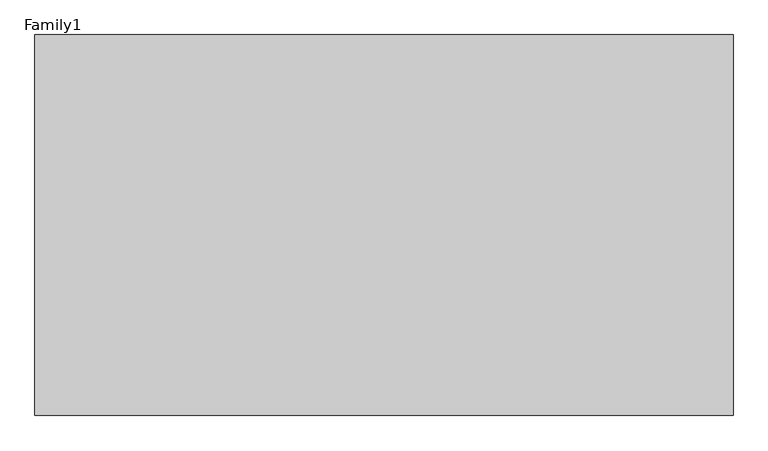
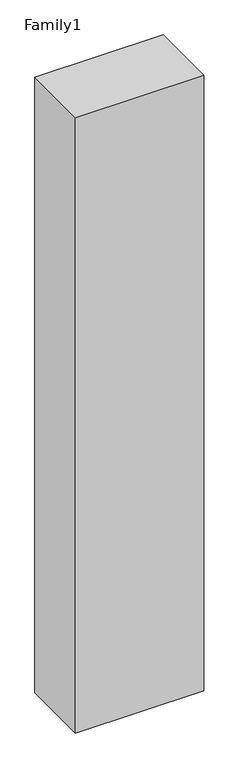
"""IFC4 building model written with IfcOpenShell, lengths in millimetres: proxy geometry, Family1."""

import ifcopenshell
import ifcopenshell.guid

model = None  # the IFC model being written
_history = None  # IfcOwnerHistory: only IFC2X3 demands one
_inside = {}  # id of a spatial element -> (the spatial element, [elements in it])
_under = {}  # id of a project, library or spatial element -> (it, [spatial elements below it])
_declared = {}  # id of a project -> (the project, [libraries it declares])
_typed = {}  # id of a type object -> (the type object, [elements of that type])
_made_of = {}  # id of a material, layer set ... -> (it, [elements and type objects made of it])


def new_model(schema):
    """Start an empty IFC model of exactly this schema.

    Asked for "IFC4X3", IfcOpenShell would pick the latest addendum, in which some entities
    have other attributes; the version numbers below select the first issue.
    IFC2X3 requires an IfcOwnerHistory on every rooted entity: one is made here for all.
    """
    global model, _history
    if schema == "IFC4X3":
        model = ifcopenshell.file(schema_version=(4, 3, 0, 0))
    else:
        model = ifcopenshell.file(schema=schema)
    _inside.clear()
    _under.clear()
    _declared.clear()
    _typed.clear()
    _made_of.clear()
    _history = None
    if model.schema == "IFC2X3":
        org = make("IfcOrganization", Name="unknown")
        user = make(
            "IfcPersonAndOrganization",
            ThePerson=make("IfcPerson", FamilyName="unknown"),
            TheOrganization=org,
        )
        app = make(
            "IfcApplication",
            ApplicationDeveloper=org,
            Version="unknown",
            ApplicationFullName="unknown",
            ApplicationIdentifier="unknown",
        )
        _history = make(
            "IfcOwnerHistory",
            OwningUser=user,
            OwningApplication=app,
            ChangeAction="ADDED",
            CreationDate=0,
        )
    return model


def make(cls, **values):
    """One entity of the class cls with the attributes given. An attribute that is None is left unset."""
    return model.create_entity(
        cls, **{name: value for name, value in values.items() if value is not None}
    )


def rooted(cls, **values):
    """An entity with a GlobalId (a new one), such as an element, a storey or a relation."""
    return make(cls, GlobalId=ifcopenshell.guid.new(), OwnerHistory=_history, **values)


def si_unit(unit_type, name, prefix=None):
    """IfcSIUnit, for example si_unit("LENGTHUNIT", "METRE", prefix="MILLI")."""
    return make("IfcSIUnit", UnitType=unit_type, Prefix=prefix, Name=name)


def assignment(units):
    """IfcUnitAssignment: the units of a project."""
    return None if units is None else make("IfcUnitAssignment", Units=units)


def point(xyz):
    """IfcCartesianPoint."""
    return None if xyz is None else make("IfcCartesianPoint", Coordinates=xyz)


def direction(xyz):
    """IfcDirection."""
    return None if xyz is None else make("IfcDirection", DirectionRatios=xyz)


def frame(location, z_axis=None, x_axis=None):
    """IfcAxis2Placement3D, a coordinate frame: its origin and axes. An axis left out is left unset."""
    return make(
        "IfcAxis2Placement3D",
        Location=point(location),
        Axis=direction(z_axis),
        RefDirection=direction(x_axis),
    )


def origin():
    """The frame at (0, 0, 0) with its axes left unset."""
    return frame((0.0, 0.0, 0.0))


def origin_with_axes():
    """The frame at (0, 0, 0) with the z axis (0, 0, 1) and the x axis (1, 0, 0) written out."""
    return frame((0.0, 0.0, 0.0), z_axis=(0.0, 0.0, 1.0), x_axis=(1.0, 0.0, 0.0))


def place(relative_to, where):
    """IfcLocalPlacement: puts the frame where relative to a parent placement (None: the world)."""
    return make(
        "IfcLocalPlacement", PlacementRelTo=relative_to, RelativePlacement=where
    )


def context(
    kind, dimensions, precision=None, world=None, true_north=None, identifier=None
):
    """IfcGeometricRepresentationContext, for example the 3D "Model" context."""
    return make(
        "IfcGeometricRepresentationContext",
        ContextIdentifier=identifier,
        ContextType=kind,
        CoordinateSpaceDimension=dimensions,
        Precision=precision,
        WorldCoordinateSystem=world,
        TrueNorth=true_north,
    )


def project(units=None, contexts=None):
    """IfcProject with its units and contexts."""
    return rooted(
        "IfcProject",
        Name="project",
        RepresentationContexts=contexts,
        UnitsInContext=assignment(units),
    )


def spatial(cls, under=None, at=None, **own):
    """A site, building, storey or space (cls), placed at a placement, below another one or the project."""
    s = rooted(cls, ObjectPlacement=at, **own)
    if under is not None:
        _under.setdefault(under.id(), (under, []))[1].append(s)
    return s


def polyline(points):
    """IfcPolyline through the points."""
    return make("IfcPolyline", Points=[point(p) for p in points])


def outline(outer, holes=None, kind="AREA"):
    """IfcArbitraryClosedProfileDef: a profile drawn as a closed curve; with holes, ...WithVoids."""
    if holes is None:
        return make("IfcArbitraryClosedProfileDef", ProfileType=kind, OuterCurve=outer)
    return make(
        "IfcArbitraryProfileDefWithVoids",
        ProfileType=kind,
        OuterCurve=outer,
        InnerCurves=holes,
    )


def extrude(swept, where, along, depth):
    """IfcExtrudedAreaSolid: the profile swept, set in the frame where, extruded along a direction by depth."""
    return make(
        "IfcExtrudedAreaSolid",
        SweptArea=swept,
        Position=where,
        ExtrudedDirection=direction(along),
        Depth=depth,
    )


def shape(context_of_items, identifier, shape_type, items):
    """IfcShapeRepresentation: the items that make up one representation, for example the "Body"."""
    return make(
        "IfcShapeRepresentation",
        ContextOfItems=context_of_items,
        RepresentationIdentifier=identifier,
        RepresentationType=shape_type,
        Items=items,
    )


def source(mapping_origin, context_of_items, identifier, shape_type, items):
    """IfcRepresentationMap: a shape defined once, which mapped items show again and again."""
    return make(
        "IfcRepresentationMap",
        MappingOrigin=mapping_origin,
        MappedRepresentation=shape(context_of_items, identifier, shape_type, items),
    )


def transform(
    local_origin,
    x_axis=None,
    y_axis=None,
    z_axis=None,
    scale=None,
    scale2=None,
    scale3=None,
    uniform=True,
):
    """IfcCartesianTransformationOperator3D, or its non-uniform kind. x_axis, y_axis, z_axis: its Axis1, 2, 3."""
    if uniform:
        return make(
            "IfcCartesianTransformationOperator3D",
            Axis1=direction(x_axis),
            Axis2=direction(y_axis),
            LocalOrigin=point(local_origin),
            Scale=scale,
            Axis3=direction(z_axis),
        )
    return make(
        "IfcCartesianTransformationOperator3DnonUniform",
        Axis1=direction(x_axis),
        Axis2=direction(y_axis),
        LocalOrigin=point(local_origin),
        Scale=scale,
        Axis3=direction(z_axis),
        Scale2=scale2,
        Scale3=scale3,
    )


def mapped(mapping_source, mapping_target):
    """IfcMappedItem: shows the shape of a source again, moved by a transform."""
    return make(
        "IfcMappedItem", MappingSource=mapping_source, MappingTarget=mapping_target
    )


def made_of(thing, what):
    """Note that an element or type object is made of a material, layer set ...; save() writes the relation."""
    if what is not None:
        _made_of.setdefault(what.id(), (what, []))[1].append(thing)
    return thing


def element(
    cls,
    number,
    at=None,
    inside=None,
    cuts=None,
    type_object=None,
    material=None,
    context=None,
    identifier="Body",
    shape_type=None,
    held_by="IfcProductDefinitionShape",
    body=None,
    shapes=None,
    **own,
):
    """One element of the class cls, such as IfcWall. Its Tag is "e" and its number.

    at: its placement. inside: the storey or other place that contains it. cuts: it is an
    opening in that element (IfcRelVoidsElement). A single representation is given by context,
    identifier, shape_type and body (its items); several are given by shapes. held_by: the class
    of the entity that holds the representations. save() writes the other relations.
    """
    e = rooted(cls, Tag="e%d" % number, ObjectPlacement=at, **own)
    if body is not None:
        shapes = [shape(context, identifier, shape_type, body)]
    if shapes is not None:
        e.Representation = make(held_by, Representations=shapes)
    if inside is not None:
        _inside.setdefault(inside.id(), (inside, []))[1].append(e)
    if cuts is not None:
        rooted(
            "IfcRelVoidsElement", RelatingBuildingElement=cuts, RelatedOpeningElement=e
        )
    if type_object is not None:
        _typed.setdefault(type_object.id(), (type_object, []))[1].append(e)
    return made_of(e, material)


def aggregate(whole, parts):
    """IfcRelAggregates: a whole, such as a stair, and the parts it consists of."""
    return rooted("IfcRelAggregates", RelatingObject=whole, RelatedObjects=parts)


def save(model, path):
    """Write the relations noted so far, then the file.

    IfcRelAggregates (storeys below a building ...), IfcRelContainedInSpatialStructure (elements
    in a storey), IfcRelDefinesByType, IfcRelAssociatesMaterial and IfcRelDeclares: one each for
    every whole, place, type object, material and project.
    """
    for whole, parts in _under.values():
        aggregate(whole, parts)
    for where, things in _inside.values():
        rooted(
            "IfcRelContainedInSpatialStructure",
            RelatedElements=things,
            RelatingStructure=where,
        )
    for kind, things in _typed.values():
        rooted("IfcRelDefinesByType", RelatedObjects=things, RelatingType=kind)
    for what, things in _made_of.values():
        rooted("IfcRelAssociatesMaterial", RelatedObjects=things, RelatingMaterial=what)
    for by, libraries in _declared.values():
        rooted("IfcRelDeclares", RelatingContext=by, RelatedDefinitions=libraries)
    model.write(path)


def family1_d9acac7f(model_context):
    return source(origin(), model_context, "Body", "SweptSolid", [
        extrude(outline(polyline([(5500.0, 0.0), (0.0, 0.0), (0.0, 3000.0), (5500.0, 3000.0), (5500.0, 0.0)])), origin_with_axes(), (0.0, 0.0, 1.0), 27900.0),
    ])


if __name__ == "__main__":
    model = new_model("IFC4")
    model_context = context("Model", 3, world=origin())
    ifc_project = project(units=[si_unit("LENGTHUNIT", "METRE", prefix="MILLI")], contexts=[model_context])
    site = spatial("IfcSite", under=ifc_project)
    building = spatial("IfcBuilding", under=site)
    placement = place(None, origin())
    family1_shape = family1_d9acac7f(model_context)
    element("IfcBuildingElementProxy", 1, Name="Family1", ObjectType="Family1", at=placement, inside=building, context=model_context, shape_type="MappedRepresentation", body=[
        mapped(family1_shape, transform((0.0, 0.0, 0.0), x_axis=(1.0, 0.0, 0.0), y_axis=(0.0, 1.0, 0.0), z_axis=(0.0, 0.0, 1.0))),
    ])
    save(model, "model.ifc")
